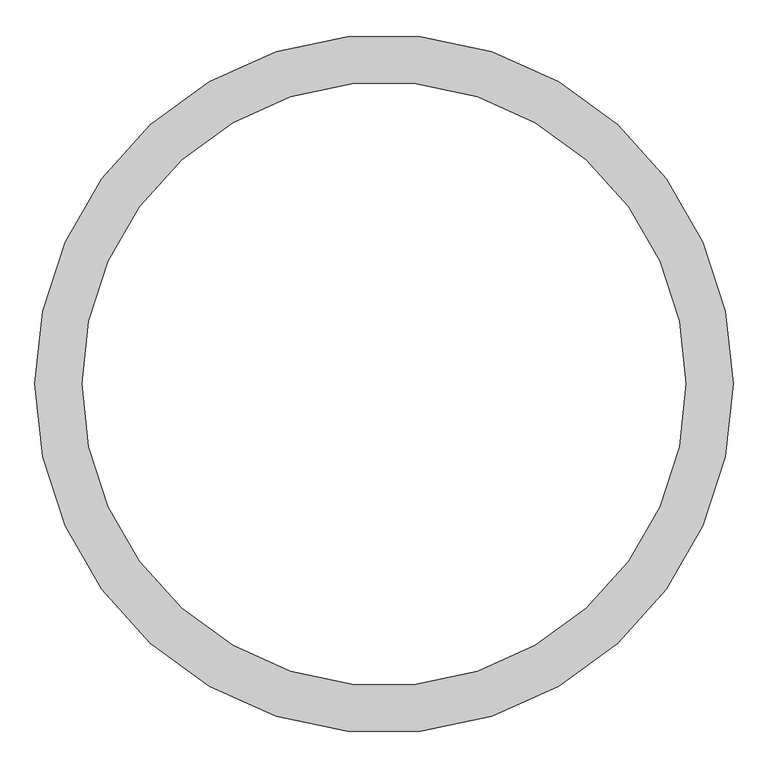
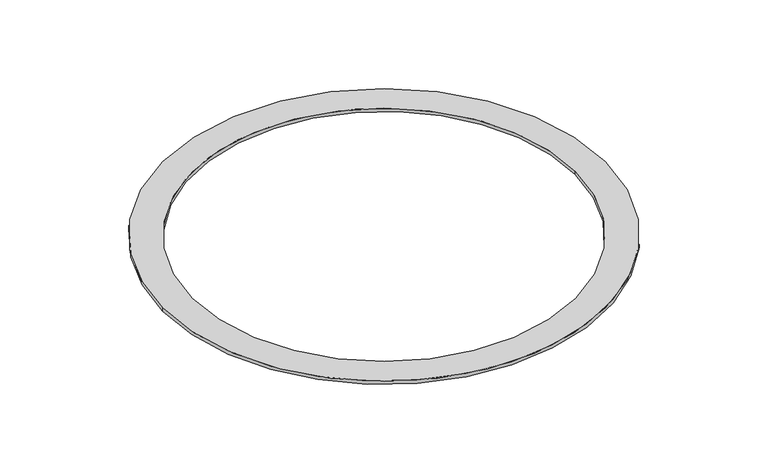
"""IFC4 building model written with IfcOpenShell, lengths in millimetres: furniture geometry."""

from ifc_helpers import new_model, si_unit, point, origin, origin_with_axes, origin_2d, place, context, project, spatial, circle_curve, trimmed, segment, composite_curve, outline, extrude, source, transform, mapped, element, save


def furniture_88960edf(model_context):
    return source(origin(), model_context, "Body", "SweptSolid", [
        extrude(outline(composite_curve([segment(trimmed(circle_curve(origin_2d(), 664.5344645), [point((-664.5344645, 0.0))], [point((664.5344645, 0.0))], False, "CARTESIAN"), True, "CONTINUOUS"), segment(trimmed(circle_curve(origin_2d(), 664.5344645), [point((664.5344645, 0.0))], [point((-664.5344645, 0.0))], False, "CARTESIAN"), True, "CONTINUOUS")], self_intersect=False), holes=[composite_curve([segment(trimmed(circle_curve(origin_2d(), 574.5344645), [point((574.5344645, 0.0))], [point((-574.5344645, 0.0))], True, "CARTESIAN"), True, "CONTINUOUS"), segment(trimmed(circle_curve(origin_2d(), 574.5344645), [point((-574.5344645, 0.0))], [point((574.5344645, 0.0))], True, "CARTESIAN"), True, "CONTINUOUS")], self_intersect=False)]), origin_with_axes(), (0.0, 0.0, 1.0), 10.0),
    ])


if __name__ == "__main__":
    model = new_model("IFC4")
    model_context = context("Model", 3, world=origin())
    ifc_project = project(units=[si_unit("LENGTHUNIT", "METRE", prefix="MILLI")], contexts=[model_context])
    site = spatial("IfcSite", under=ifc_project)
    building = spatial("IfcBuilding", under=site)
    placement = place(None, origin())
    furniture_shape = furniture_88960edf(model_context)
    element("IfcFurniture", 1, at=placement, inside=building, context=model_context, shape_type="MappedRepresentation", body=[
        mapped(furniture_shape, transform((0.0, 0.0, 0.0), x_axis=(1.0, 0.0, 0.0), y_axis=(0.0, 1.0, 0.0), z_axis=(0.0, 0.0, 1.0))),
    ])
    save(model, "model.ifc")
